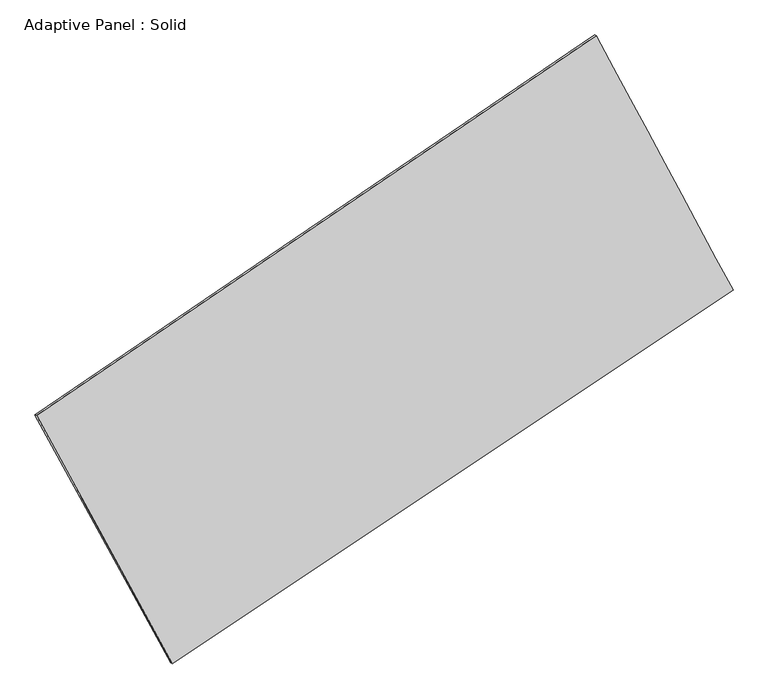
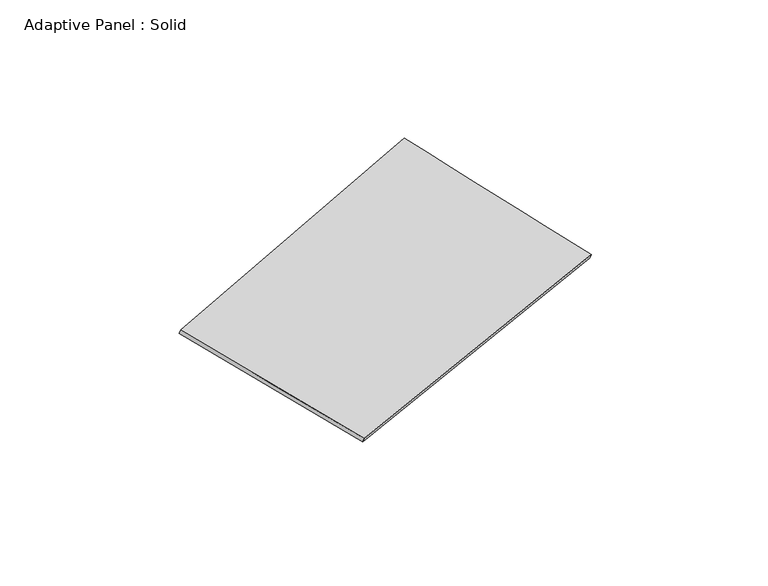
"""IFC4 building model written with IfcOpenShell, lengths in millimetres: plate geometry, Adaptive Panel : Solid."""

from ifc_helpers import new_model, si_unit, frame, origin, place, context, project, spatial, source, transform, mapped, element, save
from ifc_brep_helpers import plane_surface, spline_surface, advanced_brep


def adaptive_panel_solid_7b509ab1(model_context):
    return source(origin(), model_context, "Body", "AdvancedBrep", [
        advanced_brep(
        [(1168.5389021, 2613.7893437, 690.8305991), (-3640.599701, -652.6880714, 1704.6531519), (-3625.9333452, -659.0681648, 1752.0260599), (1183.205258, 2607.4092503, 738.2035072), (-2475.4413461, -2786.2748216, 1092.2262585), (-2460.7749902, -2792.654915, 1139.5991665), (2344.2115668, 424.9249763, -2.5874893), (2358.8779227, 418.5448828, 44.7854187)],
        [
            (0, 1),
            (1, 2),
            (2, 3),
            (3, 0),
            (1, 4),
            (4, 5),
            (5, 2),
            (4, 6),
            (6, 7),
            (7, 5),
            (6, 0),
            (3, 7),
        ],
        [
            plane_surface(frame((-1236.0303995, 980.5506362, 1197.7418755), z_axis=(-0.5025205301467885, 0.822514311742635, 0.26635187958700435), x_axis=(-0.814926532784376, -0.5535168216123197, 0.17179602543781627))),
            plane_surface(frame((-3058.0205235, -1719.4814465, 1398.4397052), z_axis=(-0.8375964396853302, -0.5120529340980842, 0.19035229682880714), x_axis=(0.46476925119827656, -0.8510650179287418, -0.24429056141927363))),
            plane_surface(frame((-65.6148896, -1180.6749226, 544.8193846), z_axis=(0.49250314307590115, -0.8292533511579365, -0.2641581603011548), x_axis=(0.8177190872304619, 0.5448233337743028, -0.18574991077799965))),
            plane_surface(frame((1756.3752345, 1519.35716, 344.1215549), z_axis=(0.8383246340414835, 0.5107082046583117, -0.19075884685617345), x_axis=(-0.4557637010078157, 0.8485396956640989, 0.26881189282830636))),
            spline_surface(1, 1, [[(-3625.9333452, -659.0681648, 1752.0260599), (1183.205258, 2607.4092503, 738.2035072)], [(-2460.7749902, -2792.654915, 1139.5991665), (2358.8779227, 418.5448828, 44.7854187)]], [2, 2], [2, 2], [0.0, 1.0], [0.0, 1.0]),
            spline_surface(1, 1, [[(2344.2115668, 424.9249763, -2.5874893), (1168.5389021, 2613.7893437, 690.8305991)], [(-2475.4413461, -2786.2748216, 1092.2262585), (-3640.599701, -652.6880714, 1704.6531519)]], [2, 2], [2, 2], [0.0, 1.0], [0.0, 1.0]),
        ],
        [
            (0, [[1, 2, 3, 4]]),
            (1, [[5, 6, 7, -2]]),
            (2, [[8, 9, 10, -6]]),
            (3, [[11, -4, 12, -9]]),
            (4, [[-3, -7, -10, -12]]),
            (5, [[-11, -8, -5, -1]]),
        ],
    ),
    ])


if __name__ == "__main__":
    model = new_model("IFC4")
    model_context = context("Model", 3, world=origin())
    ifc_project = project(units=[si_unit("LENGTHUNIT", "METRE", prefix="MILLI")], contexts=[model_context])
    site = spatial("IfcSite", under=ifc_project)
    building = spatial("IfcBuilding", under=site)
    placement = place(None, origin())
    adaptive_panel_solid_shape = adaptive_panel_solid_7b509ab1(model_context)
    element("IfcPlate", 1, ObjectType="Adaptive Panel : Solid", at=placement, inside=building, context=model_context, shape_type="MappedRepresentation", body=[
        mapped(adaptive_panel_solid_shape, transform((0.0, 0.0, 0.0), x_axis=(1.0, 0.0, 0.0), y_axis=(0.0, 1.0, 0.0), z_axis=(0.0, 0.0, 1.0))),
    ])
    save(model, "model.ifc")
